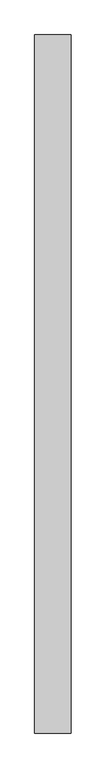
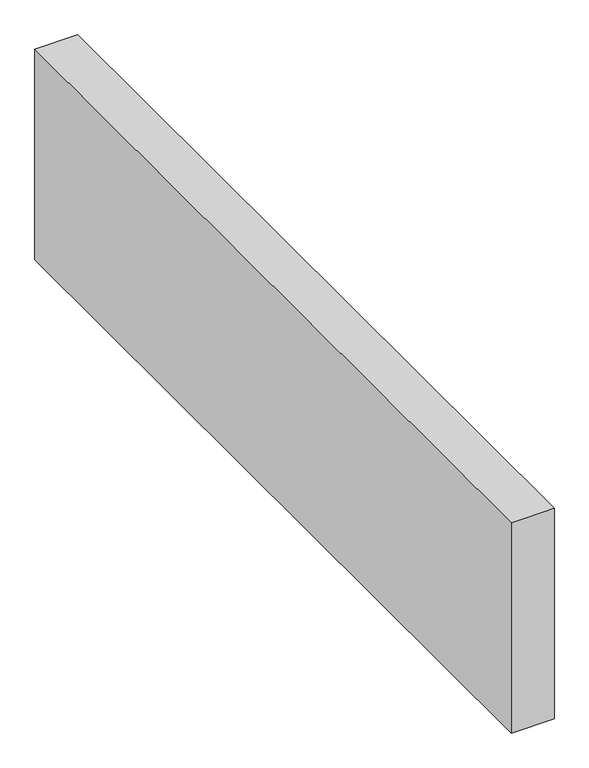
"""IFC4 building model written with IfcOpenShell, lengths in millimetres: proxy geometry."""

from ifc_helpers import new_model, si_unit, origin, origin_with_axes, place, context, project, spatial, polyline, outline, extrude, source, transform, mapped, element, save


def generic_models_4be7c27e(model_context):
    return source(origin(), model_context, "Body", "SweptSolid", [
        extrude(outline(polyline([(150.0, 2881.8552639), (150.0, 0.0), (0.0, 0.0), (0.0, 2881.8552639), (150.0, 2881.8552639)])), origin_with_axes(), (0.0, 0.0, 1.0), 776.6553396),
    ])


if __name__ == "__main__":
    model = new_model("IFC4")
    model_context = context("Model", 3, world=origin())
    ifc_project = project(units=[si_unit("LENGTHUNIT", "METRE", prefix="MILLI")], contexts=[model_context])
    site = spatial("IfcSite", under=ifc_project)
    building = spatial("IfcBuilding", under=site)
    placement = place(None, origin())
    generic_models_shape = generic_models_4be7c27e(model_context)
    element("IfcBuildingElementProxy", 1, Name="Generic Models", at=placement, inside=building, context=model_context, shape_type="MappedRepresentation", body=[
        mapped(generic_models_shape, transform((0.0, 0.0, 0.0), x_axis=(1.0, 0.0, 0.0), y_axis=(0.0, 1.0, 0.0), z_axis=(0.0, 0.0, 1.0))),
    ])
    save(model, "model.ifc")
